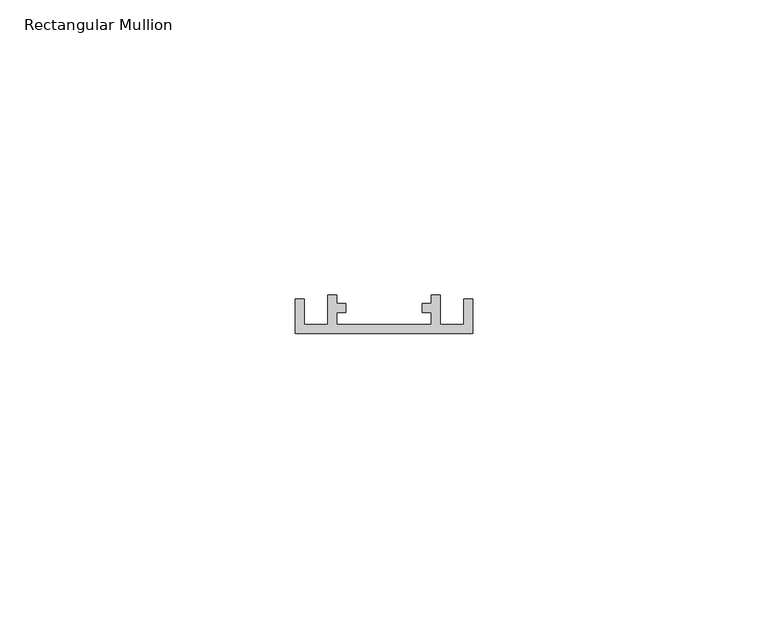
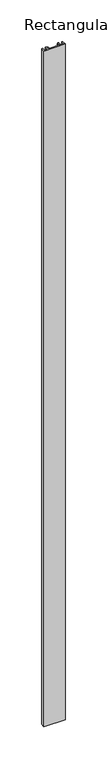
"""IFC4 building model written with IfcOpenShell, lengths in millimetres: member geometry, Rectangular Mullion."""

from ifc_helpers import new_model, si_unit, frame, origin, place, context, project, spatial, polyline, outline, extrude, source, transform, mapped, element, save


def rectangular_mullion_c100db00(model_context):
    return source(origin(), model_context, "Body", "SweptSolid", [
        extrude(outline(polyline([(-28.5, 5.8660254), (-28.5, 1.5), (-24.5, 1.5), (-24.5, 6.5), (-23.0, 6.5), (-23.0, 5.05), (-21.5, 5.05), (-21.5, 3.55), (-23.0, 3.55), (-23.0, 1.5), (-7.0, 1.5), (-7.0, 3.55), (-8.5, 3.55), (-8.5, 5.05), (-7.0, 5.05), (-7.0, 6.5), (-5.5, 6.5), (-5.5, 1.5), (-1.5, 1.5), (-1.5, 5.8660254), (0.0, 5.8660254), (0.0, 0.0), (-30.0, 0.0), (-30.0, 5.8660254), (-28.5, 5.8660254)])), frame((0.0, 0.0, -1000.0), z_axis=(0.0, 0.0, 1.0), x_axis=(1.0, 0.0, 0.0)), (0.0, 0.0, 1.0), 1000.0),
    ])


if __name__ == "__main__":
    model = new_model("IFC4")
    model_context = context("Model", 3, world=origin())
    ifc_project = project(units=[si_unit("LENGTHUNIT", "METRE", prefix="MILLI")], contexts=[model_context])
    site = spatial("IfcSite", under=ifc_project)
    building = spatial("IfcBuilding", under=site)
    placement = place(None, origin())
    rectangular_mullion_shape = rectangular_mullion_c100db00(model_context)
    element("IfcMember", 1, ObjectType="Rectangular Mullion", at=placement, inside=building, context=model_context, shape_type="MappedRepresentation", body=[
        mapped(rectangular_mullion_shape, transform((0.0, 0.0, 0.0), x_axis=(1.0, 0.0, 0.0), y_axis=(0.0, 1.0, 0.0), z_axis=(0.0, 0.0, 1.0))),
    ])
    save(model, "model.ifc")
